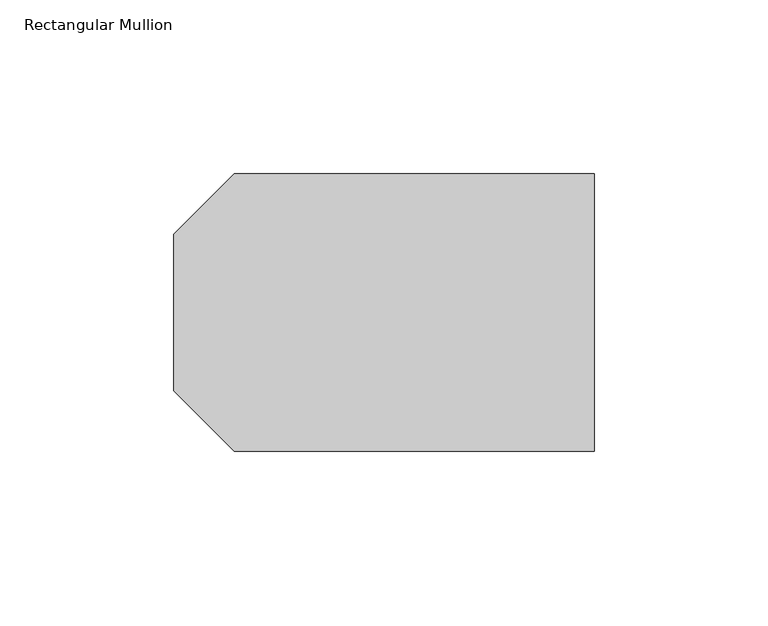
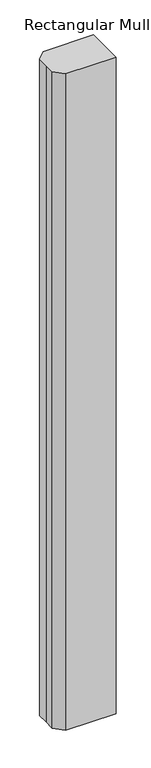
"""IFC4 building model written with IfcOpenShell, lengths in millimetres: member geometry, Rectangular Mullion."""

from ifc_helpers import new_model, si_unit, frame, origin, place, context, project, spatial, polyline, outline, extrude, source, transform, mapped, element, save


def rectangular_mullion_5a039ed1(model_context):
    return source(origin(), model_context, "Body", "SweptSolid", [
        extrude(outline(polyline([(-121.0, 22.5), (-103.597438, 39.902562), (0.0, 39.902562), (0.0, -39.902562), (-103.597438, -39.902562), (-121.0, -22.5), (-121.0, 0.0), (-121.0, 22.5)])), frame((0.0, 0.0, -1425.0000002), z_axis=(0.0, 0.0, 1.0), x_axis=(1.0, 0.0, 0.0)), (0.0, 0.0, 1.0), 1425.0000002),
    ])


if __name__ == "__main__":
    model = new_model("IFC4")
    model_context = context("Model", 3, world=origin())
    ifc_project = project(units=[si_unit("LENGTHUNIT", "METRE", prefix="MILLI")], contexts=[model_context])
    site = spatial("IfcSite", under=ifc_project)
    building = spatial("IfcBuilding", under=site)
    placement = place(None, origin())
    rectangular_mullion_shape = rectangular_mullion_5a039ed1(model_context)
    element("IfcMember", 1, ObjectType="Rectangular Mullion", at=placement, inside=building, context=model_context, shape_type="MappedRepresentation", body=[
        mapped(rectangular_mullion_shape, transform((0.0, 0.0, 0.0), x_axis=(1.0, 0.0, 0.0), y_axis=(0.0, 1.0, 0.0), z_axis=(0.0, 0.0, 1.0))),
    ])
    save(model, "model.ifc")
